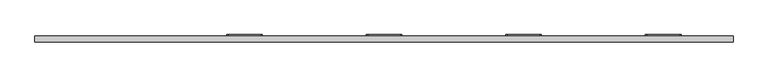
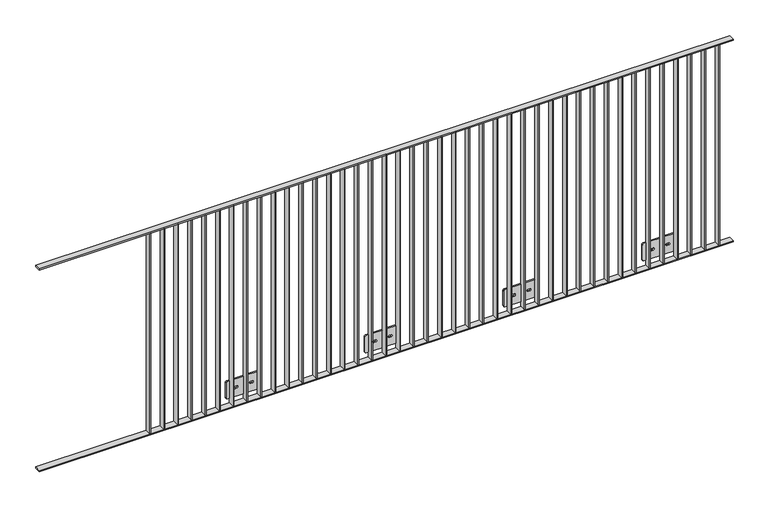
"""IFC4 building model written with IfcOpenShell, lengths in millimetres: railing geometry."""

from ifc_helpers import new_model, si_unit, frame, origin, place, context, project, spatial, polyline, circle_curve, outline, extrude, source, transform, mapped, element, save
from ifc_brep_helpers import plane_surface, cylinder_surface, revolved_surface, advanced_brep


def railing_8d76347a(model_context):
    return source(origin(), model_context, "Body", "SolidModel", [
        extrude(outline(polyline([(1210.4711935, -1129.1783245), (1210.4711935, -1089.1783245), (5710.4711935, -1089.1783245), (5710.4711935, -1129.1783245), (1210.4711935, -1129.1783245)])), frame((0.0, 0.0, 1192.0), z_axis=(0.0, 0.0, 1.0), x_axis=(1.0, 0.0, 0.0)), (0.0, 0.0, 1.0), 8.0),
        extrude(outline(polyline([(1210.4711935, -1129.1783245), (1210.4711935, -1089.1783245), (5710.4711935, -1089.1783245), (5710.4711935, -1129.1783245), (1210.4711935, -1129.1783245)])), frame((0.0, 0.0, -190.0), z_axis=(0.0, 0.0, 1.0), x_axis=(1.0, 0.0, 0.0)), (0.0, 0.0, 1.0), 8.0),
        extrude(outline(polyline([(5617.4711935, -1089.1783245), (5623.4711935, -1089.1783245), (5623.4711935, -1129.1783245), (5617.4711935, -1129.1783245), (5617.4711935, -1089.1783245)])), frame((0.0, 0.0, -182.0), z_axis=(0.0, 0.0, 1.0), x_axis=(1.0, 0.0, 0.0)), (0.0, 0.0, 1.0), 1374.0),
        extrude(outline(polyline([(5527.4711935, -1089.1783245), (5533.4711935, -1089.1783245), (5533.4711935, -1129.1783245), (5527.4711935, -1129.1783245), (5527.4711935, -1089.1783245)])), frame((0.0, 0.0, -182.0), z_axis=(0.0, 0.0, 1.0), x_axis=(1.0, 0.0, 0.0)), (0.0, 0.0, 1.0), 1374.0),
        extrude(outline(polyline([(5437.4711935, -1089.1783245), (5443.4711935, -1089.1783245), (5443.4711935, -1129.1783245), (5437.4711935, -1129.1783245), (5437.4711935, -1089.1783245)])), frame((0.0, 0.0, -182.0), z_axis=(0.0, 0.0, 1.0), x_axis=(1.0, 0.0, 0.0)), (0.0, 0.0, 1.0), 1374.0),
        extrude(outline(polyline([(5347.4711935, -1089.1783245), (5353.4711935, -1089.1783245), (5353.4711935, -1129.1783245), (5347.4711935, -1129.1783245), (5347.4711935, -1089.1783245)])), frame((0.0, 0.0, -182.0), z_axis=(0.0, 0.0, 1.0), x_axis=(1.0, 0.0, 0.0)), (0.0, 0.0, 1.0), 1374.0),
        advanced_brep(
        [(5257.4711935, -1129.1783245, 1192.0), (5257.4711935, -1129.1783245, -182.0), (5263.4711935, -1129.1783245, -182.0), (5263.4711935, -1129.1783245, 1192.0), (5257.4711935, -1089.1783245, 1192.0), (5263.4711935, -1089.1783245, 1192.0), (5263.4711935, -1089.1783245, -30.0), (5257.4711935, -1089.1783245, -30.0), (5263.4711935, -1089.1783245, -182.0), (5257.4711935, -1089.1783245, -182.0), (5257.4711935, -1089.1783245, -150.0), (5263.4711935, -1089.1783245, -150.0), (5365.4711935, -1081.1783245, -150.0), (5155.4711935, -1081.1783245, -150.0), (5145.4711935, -1081.1783245, -140.0), (5145.4711935, -1081.1783245, -40.0), (5155.4711935, -1081.1783245, -30.0), (5365.4711935, -1081.1783245, -30.0), (5375.4711935, -1081.1783245, -40.0), (5375.4711935, -1081.1783245, -140.0), (5215.4711935, -1081.1783245, -97.0), (5215.4711935, -1081.1783245, -83.0), (5205.4711935, -1081.1783245, -83.0), (5205.4711935, -1081.1783245, -97.0), (5305.4711935, -1081.1783245, -97.0), (5315.4711935, -1081.1783245, -97.0), (5315.4711935, -1081.1783245, -83.0), (5305.4711935, -1081.1783245, -83.0), (5365.4711935, -1089.1783245, -150.0), (5375.4711935, -1089.1783245, -140.0), (5375.4711935, -1089.1783245, -40.0), (5365.4711935, -1089.1783245, -30.0), (5305.4711935, -1089.1783245, -97.0), (5305.4711935, -1089.1783245, -83.0), (5315.4711935, -1089.1783245, -83.0), (5315.4711935, -1089.1783245, -97.0), (5155.4711935, -1089.1783245, -30.0), (5145.4711935, -1089.1783245, -40.0), (5145.4711935, -1089.1783245, -140.0), (5155.4711935, -1089.1783245, -150.0), (5215.4711935, -1089.1783245, -97.0), (5205.4711935, -1089.1783245, -97.0), (5205.4711935, -1089.1783245, -83.0), (5215.4711935, -1089.1783245, -83.0)],
        [
            (0, 1),
            (1, 2),
            (2, 3),
            (3, 0),
            (4, 5),
            (5, 6),
            (6, 7),
            (7, 4),
            (8, 9),
            (9, 10),
            (10, 11),
            (11, 8),
            (3, 5),
            (4, 0),
            (7, 10),
            (9, 1),
            (2, 8),
            (11, 6),
            (12, 13),
            (13, 14, circle_curve(frame((5155.4711935, -1081.1783245, -140.0), z_axis=(0.0, 1.0, 0.0), x_axis=(-1.0, 0.0, 0.0)), 10.0)),
            (14, 15),
            (15, 16, circle_curve(frame((5155.4711935, -1081.1783245, -40.0), z_axis=(0.0, 1.0, 0.0), x_axis=(-1.0, 0.0, 0.0)), 10.0)),
            (16, 17),
            (17, 18, circle_curve(frame((5365.4711935, -1081.1783245, -40.0), z_axis=(0.0, 1.0, 0.0), x_axis=(-1.0, 0.0, 0.0)), 10.0)),
            (18, 19),
            (19, 12, circle_curve(frame((5365.4711935, -1081.1783245, -140.0), z_axis=(0.0, 1.0, 0.0), x_axis=(-1.0, 0.0, 0.0)), 10.0)),
            (20, 21, circle_curve(frame((5215.4711935, -1081.1783245, -90.0), z_axis=(0.0, -1.0, 0.0), x_axis=(-1.0, 0.0, 0.0)), 7.0)),
            (21, 22),
            (22, 23, circle_curve(frame((5205.4711935, -1081.1783245, -90.0), z_axis=(0.0, -1.0, 0.0), x_axis=(-1.0, 0.0, 0.0)), 7.0)),
            (23, 20),
            (24, 25),
            (25, 26, circle_curve(frame((5315.4711935, -1081.1783245, -90.0), z_axis=(0.0, -1.0, 0.0), x_axis=(-1.0, 0.0, 0.0)), 7.0)),
            (26, 27),
            (27, 24, circle_curve(frame((5305.4711935, -1081.1783245, -90.0), z_axis=(0.0, -1.0, 0.0), x_axis=(-1.0, 0.0, 0.0)), 7.0)),
            (28, 29, circle_curve(frame((5365.4711935, -1089.1783245, -140.0), z_axis=(0.0, -1.0, 0.0), x_axis=(-1.0, 0.0, 0.0)), 10.0)),
            (29, 30),
            (30, 31, circle_curve(frame((5365.4711935, -1089.1783245, -40.0), z_axis=(0.0, -1.0, 0.0), x_axis=(-1.0, 0.0, 0.0)), 10.0)),
            (31, 6),
            (11, 28),
            (32, 33, circle_curve(frame((5305.4711935, -1089.1783245, -90.0), z_axis=(0.0, 1.0, 0.0), x_axis=(-1.0, 0.0, 0.0)), 7.0)),
            (33, 34),
            (34, 35, circle_curve(frame((5315.4711935, -1089.1783245, -90.0), z_axis=(0.0, 1.0, 0.0), x_axis=(-1.0, 0.0, 0.0)), 7.0)),
            (35, 32),
            (36, 37, circle_curve(frame((5155.4711935, -1089.1783245, -40.0), z_axis=(0.0, -1.0, 0.0), x_axis=(-1.0, 0.0, 0.0)), 10.0)),
            (37, 38),
            (38, 39, circle_curve(frame((5155.4711935, -1089.1783245, -140.0), z_axis=(0.0, -1.0, 0.0), x_axis=(-1.0, 0.0, 0.0)), 10.0)),
            (39, 10),
            (7, 36),
            (40, 41),
            (41, 42, circle_curve(frame((5205.4711935, -1089.1783245, -90.0), z_axis=(0.0, 1.0, 0.0), x_axis=(-1.0, 0.0, 0.0)), 7.0)),
            (42, 43),
            (43, 40, circle_curve(frame((5215.4711935, -1089.1783245, -90.0), z_axis=(0.0, 1.0, 0.0), x_axis=(-1.0, 0.0, 0.0)), 7.0)),
            (12, 28),
            (39, 13),
            (38, 14),
            (37, 15),
            (36, 16),
            (31, 17),
            (30, 18),
            (29, 19),
            (20, 40),
            (43, 21),
            (42, 22),
            (41, 23),
            (24, 32),
            (35, 25),
            (34, 26),
            (33, 27),
        ],
        [
            plane_surface(frame((5257.4711935, -1129.1783245, 1192.0), z_axis=(0.0, -1.0, 0.0), x_axis=(-1.0, 0.0, 0.0))),
            plane_surface(frame((5257.4711935, -1089.1783245, 1192.0), z_axis=(0.0, 1.0, 0.0), x_axis=(1.0, 0.0, 0.0))),
            plane_surface(frame((5257.4711935, -1089.1783245, 1192.0), z_axis=(0.0, 0.0, 1.0), x_axis=(0.0, -1.0, 0.0))),
            plane_surface(frame((5257.4711935, -1089.1783245, -182.0), z_axis=(-1.0, 0.0, 0.0), x_axis=(0.0, -1.0, 0.0))),
            plane_surface(frame((5263.4711935, -1089.1783245, 1192.0), z_axis=(1.0, 0.0, 0.0), x_axis=(0.0, -1.0, 0.0))),
            plane_surface(frame((5170.4711935, -1081.1783245, -150.0), z_axis=(0.0, 1.0, 0.0), x_axis=(-1.0, 0.0, 0.0))),
            plane_surface(frame((5170.4711935, -1089.1783245, -150.0), z_axis=(0.0, -1.0, 0.0), x_axis=(1.0, 0.0, 0.0))),
            plane_surface(frame((5365.4711935, -1081.1783245, -150.0), z_axis=(0.0, 0.0, -1.0), x_axis=(0.0, -1.0, 0.0))),
            cylinder_surface(frame((5155.4711935, -1089.1783245, -140.0), z_axis=(0.0, 1.0, 0.0), x_axis=(-1.0, 0.0, 0.0)), 10.0),
            plane_surface(frame((5145.4711935, -1081.1783245, -140.0), z_axis=(-1.0, 0.0, 0.0), x_axis=(0.0, -1.0, 0.0))),
            cylinder_surface(frame((5155.4711935, -1089.1783245, -40.0), z_axis=(0.0, 1.0, 0.0), x_axis=(-1.0, 0.0, 0.0)), 10.0),
            plane_surface(frame((5155.4711935, -1081.1783245, -30.0), z_axis=(0.0, 0.0, 1.0), x_axis=(0.0, -1.0, 0.0))),
            cylinder_surface(frame((5365.4711935, -1089.1783245, -40.0), z_axis=(0.0, 1.0, 0.0), x_axis=(-1.0, 0.0, 0.0)), 10.0),
            plane_surface(frame((5375.4711935, -1081.1783245, -40.0), z_axis=(1.0, 0.0, 0.0), x_axis=(0.0, -1.0, 0.0))),
            cylinder_surface(frame((5365.4711935, -1089.1783245, -140.0), z_axis=(0.0, 1.0, 0.0), x_axis=(-1.0, 0.0, 0.0)), 10.0),
            revolved_surface(polyline([(5208.4711935, -1089.1783245, -90.0), (5208.4711935, -1081.1783245, -90.0)]), (5215.4711935, -1109.1783245, -90.0), (0.0, -1.0, 0.0)),
            plane_surface(frame((5215.4711935, -1081.1783245, -83.0), z_axis=(0.0, 0.0, -1.0), x_axis=(0.0, -1.0, 0.0))),
            revolved_surface(polyline([(5198.4711935, -1089.1783245, -90.0), (5198.4711935, -1081.1783245, -90.0)]), (5205.4711935, -1109.1783245, -90.0), (0.0, -1.0, 0.0)),
            plane_surface(frame((5205.4711935, -1081.1783245, -97.0), z_axis=(0.0, 0.0, 1.0), x_axis=(0.0, -1.0, 0.0))),
            plane_surface(frame((5305.4711935, -1081.1783245, -97.0), z_axis=(0.0, 0.0, 1.0), x_axis=(0.0, -1.0, 0.0))),
            revolved_surface(polyline([(5308.4711935, -1089.1783245, -90.0), (5308.4711935, -1081.1783245, -90.0)]), (5315.4711935, -1109.1783245, -90.0), (0.0, -1.0, 0.0)),
            plane_surface(frame((5315.4711935, -1081.1783245, -83.0), z_axis=(0.0, 0.0, -1.0), x_axis=(0.0, -1.0, 0.0))),
            revolved_surface(polyline([(5298.4711935, -1089.1783245, -90.0), (5298.4711935, -1081.1783245, -90.0)]), (5305.4711935, -1109.1783245, -90.0), (0.0, -1.0, 0.0)),
            plane_surface(frame((5263.4711935, -1089.1783245, -182.0), z_axis=(0.0, 0.0, -1.0), x_axis=(0.0, -1.0, 0.0))),
        ],
        [
            (0, [[1, 2, 3, 4]]),
            (1, [[5, 6, 7, 8]]),
            (1, [[9, 10, 11, 12]]),
            (2, [[-4, 13, -5, 14]]),
            (3, [[-1, -14, -8, 15, -10, 16]]),
            (4, [[-3, 17, -12, 18, -6, -13]]),
            (5, [[19, 20, 21, 22, 23, 24, 25, 26], [27, 28, 29, 30], [31, 32, 33, 34]]),
            (6, [[35, 36, 37, 38, -18, 39], [40, 41, 42, 43]]),
            (6, [[44, 45, 46, 47, -15, 48], [49, 50, 51, 52]]),
            (7, [[-19, 53, -39, -11, -47, 54]]),
            (8, [[-20, -54, -46, 55]]),
            (9, [[-21, -55, -45, 56]]),
            (10, [[-22, -56, -44, 57]]),
            (11, [[-23, -57, -48, -7, -38, 58]]),
            (12, [[-24, -58, -37, 59]]),
            (13, [[-25, -59, -36, 60]]),
            (14, [[-26, -60, -35, -53]]),
            (15, [[-27, 61, -52, 62]]),
            (16, [[-28, -62, -51, 63]]),
            (17, [[-29, -63, -50, 64]]),
            (18, [[-30, -64, -49, -61]]),
            (19, [[-31, 65, -43, 66]]),
            (20, [[-32, -66, -42, 67]]),
            (21, [[-33, -67, -41, 68]]),
            (22, [[-34, -68, -40, -65]]),
            (23, [[-2, -16, -9, -17]]),
        ],
    ),
        extrude(outline(polyline([(5167.4711935, -1089.1783245), (5173.4711935, -1089.1783245), (5173.4711935, -1129.1783245), (5167.4711935, -1129.1783245), (5167.4711935, -1089.1783245)])), frame((0.0, 0.0, -182.0), z_axis=(0.0, 0.0, 1.0), x_axis=(1.0, 0.0, 0.0)), (0.0, 0.0, 1.0), 1374.0),
        extrude(outline(polyline([(5077.4711935, -1089.1783245), (5083.4711935, -1089.1783245), (5083.4711935, -1129.1783245), (5077.4711935, -1129.1783245), (5077.4711935, -1089.1783245)])), frame((0.0, 0.0, -182.0), z_axis=(0.0, 0.0, 1.0), x_axis=(1.0, 0.0, 0.0)), (0.0, 0.0, 1.0), 1374.0),
        extrude(outline(polyline([(4987.4711935, -1089.1783245), (4993.4711935, -1089.1783245), (4993.4711935, -1129.1783245), (4987.4711935, -1129.1783245), (4987.4711935, -1089.1783245)])), frame((0.0, 0.0, -182.0), z_axis=(0.0, 0.0, 1.0), x_axis=(1.0, 0.0, 0.0)), (0.0, 0.0, 1.0), 1374.0),
        extrude(outline(polyline([(4897.4711935, -1089.1783245), (4903.4711935, -1089.1783245), (4903.4711935, -1129.1783245), (4897.4711935, -1129.1783245), (4897.4711935, -1089.1783245)])), frame((0.0, 0.0, -182.0), z_axis=(0.0, 0.0, 1.0), x_axis=(1.0, 0.0, 0.0)), (0.0, 0.0, 1.0), 1374.0),
        extrude(outline(polyline([(4807.4711935, -1089.1783245), (4813.4711935, -1089.1783245), (4813.4711935, -1129.1783245), (4807.4711935, -1129.1783245), (4807.4711935, -1089.1783245)])), frame((0.0, 0.0, -182.0), z_axis=(0.0, 0.0, 1.0), x_axis=(1.0, 0.0, 0.0)), (0.0, 0.0, 1.0), 1374.0),
        extrude(outline(polyline([(4717.4711935, -1089.1783245), (4723.4711935, -1089.1783245), (4723.4711935, -1129.1783245), (4717.4711935, -1129.1783245), (4717.4711935, -1089.1783245)])), frame((0.0, 0.0, -182.0), z_axis=(0.0, 0.0, 1.0), x_axis=(1.0, 0.0, 0.0)), (0.0, 0.0, 1.0), 1374.0),
        extrude(outline(polyline([(4627.4711935, -1089.1783245), (4633.4711935, -1089.1783245), (4633.4711935, -1129.1783245), (4627.4711935, -1129.1783245), (4627.4711935, -1089.1783245)])), frame((0.0, 0.0, -182.0), z_axis=(0.0, 0.0, 1.0), x_axis=(1.0, 0.0, 0.0)), (0.0, 0.0, 1.0), 1374.0),
        extrude(outline(polyline([(4537.4711935, -1089.1783245), (4543.4711935, -1089.1783245), (4543.4711935, -1129.1783245), (4537.4711935, -1129.1783245), (4537.4711935, -1089.1783245)])), frame((0.0, 0.0, -182.0), z_axis=(0.0, 0.0, 1.0), x_axis=(1.0, 0.0, 0.0)), (0.0, 0.0, 1.0), 1374.0),
        extrude(outline(polyline([(4447.4711935, -1089.1783245), (4453.4711935, -1089.1783245), (4453.4711935, -1129.1783245), (4447.4711935, -1129.1783245), (4447.4711935, -1089.1783245)])), frame((0.0, 0.0, -182.0), z_axis=(0.0, 0.0, 1.0), x_axis=(1.0, 0.0, 0.0)), (0.0, 0.0, 1.0), 1374.0),
        advanced_brep(
        [(4357.4711935, -1129.1783245, 1192.0), (4357.4711935, -1129.1783245, -182.0), (4363.4711935, -1129.1783245, -182.0), (4363.4711935, -1129.1783245, 1192.0), (4357.4711935, -1089.1783245, 1192.0), (4363.4711935, -1089.1783245, 1192.0), (4363.4711935, -1089.1783245, -30.0), (4357.4711935, -1089.1783245, -30.0), (4363.4711935, -1089.1783245, -182.0), (4357.4711935, -1089.1783245, -182.0), (4357.4711935, -1089.1783245, -150.0), (4363.4711935, -1089.1783245, -150.0), (4465.4711935, -1081.1783245, -150.0), (4255.4711935, -1081.1783245, -150.0), (4245.4711935, -1081.1783245, -140.0), (4245.4711935, -1081.1783245, -40.0), (4255.4711935, -1081.1783245, -30.0), (4465.4711935, -1081.1783245, -30.0), (4475.4711935, -1081.1783245, -40.0), (4475.4711935, -1081.1783245, -140.0), (4315.4711935, -1081.1783245, -97.0), (4315.4711935, -1081.1783245, -83.0), (4305.4711935, -1081.1783245, -83.0), (4305.4711935, -1081.1783245, -97.0), (4405.4711935, -1081.1783245, -97.0), (4415.4711935, -1081.1783245, -97.0), (4415.4711935, -1081.1783245, -83.0), (4405.4711935, -1081.1783245, -83.0), (4465.4711935, -1089.1783245, -150.0), (4475.4711935, -1089.1783245, -140.0), (4475.4711935, -1089.1783245, -40.0), (4465.4711935, -1089.1783245, -30.0), (4405.4711935, -1089.1783245, -97.0), (4405.4711935, -1089.1783245, -83.0), (4415.4711935, -1089.1783245, -83.0), (4415.4711935, -1089.1783245, -97.0), (4255.4711935, -1089.1783245, -30.0), (4245.4711935, -1089.1783245, -40.0), (4245.4711935, -1089.1783245, -140.0), (4255.4711935, -1089.1783245, -150.0), (4315.4711935, -1089.1783245, -97.0), (4305.4711935, -1089.1783245, -97.0), (4305.4711935, -1089.1783245, -83.0), (4315.4711935, -1089.1783245, -83.0)],
        [
            (0, 1),
            (1, 2),
            (2, 3),
            (3, 0),
            (4, 5),
            (5, 6),
            (6, 7),
            (7, 4),
            (8, 9),
            (9, 10),
            (10, 11),
            (11, 8),
            (3, 5),
            (4, 0),
            (7, 10),
            (9, 1),
            (2, 8),
            (11, 6),
            (12, 13),
            (13, 14, circle_curve(frame((4255.4711935, -1081.1783245, -140.0), z_axis=(0.0, 1.0, 0.0), x_axis=(-1.0, 0.0, 0.0)), 10.0)),
            (14, 15),
            (15, 16, circle_curve(frame((4255.4711935, -1081.1783245, -40.0), z_axis=(0.0, 1.0, 0.0), x_axis=(-1.0, 0.0, 0.0)), 10.0)),
            (16, 17),
            (17, 18, circle_curve(frame((4465.4711935, -1081.1783245, -40.0), z_axis=(0.0, 1.0, 0.0), x_axis=(-1.0, 0.0, 0.0)), 10.0)),
            (18, 19),
            (19, 12, circle_curve(frame((4465.4711935, -1081.1783245, -140.0), z_axis=(0.0, 1.0, 0.0), x_axis=(-1.0, 0.0, 0.0)), 10.0)),
            (20, 21, circle_curve(frame((4315.4711935, -1081.1783245, -90.0), z_axis=(0.0, -1.0, 0.0), x_axis=(-1.0, 0.0, 0.0)), 7.0)),
            (21, 22),
            (22, 23, circle_curve(frame((4305.4711935, -1081.1783245, -90.0), z_axis=(0.0, -1.0, 0.0), x_axis=(-1.0, 0.0, 0.0)), 7.0)),
            (23, 20),
            (24, 25),
            (25, 26, circle_curve(frame((4415.4711935, -1081.1783245, -90.0), z_axis=(0.0, -1.0, 0.0), x_axis=(-1.0, 0.0, 0.0)), 7.0)),
            (26, 27),
            (27, 24, circle_curve(frame((4405.4711935, -1081.1783245, -90.0), z_axis=(0.0, -1.0, 0.0), x_axis=(-1.0, 0.0, 0.0)), 7.0)),
            (28, 29, circle_curve(frame((4465.4711935, -1089.1783245, -140.0), z_axis=(0.0, -1.0, 0.0), x_axis=(-1.0, 0.0, 0.0)), 10.0)),
            (29, 30),
            (30, 31, circle_curve(frame((4465.4711935, -1089.1783245, -40.0), z_axis=(0.0, -1.0, 0.0), x_axis=(-1.0, 0.0, 0.0)), 10.0)),
            (31, 6),
            (11, 28),
            (32, 33, circle_curve(frame((4405.4711935, -1089.1783245, -90.0), z_axis=(0.0, 1.0, 0.0), x_axis=(-1.0, 0.0, 0.0)), 7.0)),
            (33, 34),
            (34, 35, circle_curve(frame((4415.4711935, -1089.1783245, -90.0), z_axis=(0.0, 1.0, 0.0), x_axis=(-1.0, 0.0, 0.0)), 7.0)),
            (35, 32),
            (36, 37, circle_curve(frame((4255.4711935, -1089.1783245, -40.0), z_axis=(0.0, -1.0, 0.0), x_axis=(-1.0, 0.0, 0.0)), 10.0)),
            (37, 38),
            (38, 39, circle_curve(frame((4255.4711935, -1089.1783245, -140.0), z_axis=(0.0, -1.0, 0.0), x_axis=(-1.0, 0.0, 0.0)), 10.0)),
            (39, 10),
            (7, 36),
            (40, 41),
            (41, 42, circle_curve(frame((4305.4711935, -1089.1783245, -90.0), z_axis=(0.0, 1.0, 0.0), x_axis=(-1.0, 0.0, 0.0)), 7.0)),
            (42, 43),
            (43, 40, circle_curve(frame((4315.4711935, -1089.1783245, -90.0), z_axis=(0.0, 1.0, 0.0), x_axis=(-1.0, 0.0, 0.0)), 7.0)),
            (12, 28),
            (39, 13),
            (38, 14),
            (37, 15),
            (36, 16),
            (31, 17),
            (30, 18),
            (29, 19),
            (20, 40),
            (43, 21),
            (42, 22),
            (41, 23),
            (24, 32),
            (35, 25),
            (34, 26),
            (33, 27),
        ],
        [
            plane_surface(frame((4357.4711935, -1129.1783245, 1192.0), z_axis=(0.0, -1.0, 0.0), x_axis=(-1.0, 0.0, 0.0))),
            plane_surface(frame((4357.4711935, -1089.1783245, 1192.0), z_axis=(0.0, 1.0, 0.0), x_axis=(1.0, 0.0, 0.0))),
            plane_surface(frame((4357.4711935, -1089.1783245, 1192.0), z_axis=(0.0, 0.0, 1.0), x_axis=(0.0, -1.0, 0.0))),
            plane_surface(frame((4357.4711935, -1089.1783245, -182.0), z_axis=(-1.0, 0.0, 0.0), x_axis=(0.0, -1.0, 0.0))),
            plane_surface(frame((4363.4711935, -1089.1783245, 1192.0), z_axis=(1.0, 0.0, 0.0), x_axis=(0.0, -1.0, 0.0))),
            plane_surface(frame((4270.4711935, -1081.1783245, -150.0), z_axis=(0.0, 1.0, 0.0), x_axis=(-1.0, 0.0, 0.0))),
            plane_surface(frame((4270.4711935, -1089.1783245, -150.0), z_axis=(0.0, -1.0, 0.0), x_axis=(1.0, 0.0, 0.0))),
            plane_surface(frame((4465.4711935, -1081.1783245, -150.0), z_axis=(0.0, 0.0, -1.0), x_axis=(0.0, -1.0, 0.0))),
            cylinder_surface(frame((4255.4711935, -1089.1783245, -140.0), z_axis=(0.0, 1.0, 0.0), x_axis=(-1.0, 0.0, 0.0)), 10.0),
            plane_surface(frame((4245.4711935, -1081.1783245, -140.0), z_axis=(-1.0, 0.0, 0.0), x_axis=(0.0, -1.0, 0.0))),
            cylinder_surface(frame((4255.4711935, -1089.1783245, -40.0), z_axis=(0.0, 1.0, 0.0), x_axis=(-1.0, 0.0, 0.0)), 10.0),
            plane_surface(frame((4255.4711935, -1081.1783245, -30.0), z_axis=(0.0, 0.0, 1.0), x_axis=(0.0, -1.0, 0.0))),
            cylinder_surface(frame((4465.4711935, -1089.1783245, -40.0), z_axis=(0.0, 1.0, 0.0), x_axis=(-1.0, 0.0, 0.0)), 10.0),
            plane_surface(frame((4475.4711935, -1081.1783245, -40.0), z_axis=(1.0, 0.0, 0.0), x_axis=(0.0, -1.0, 0.0))),
            cylinder_surface(frame((4465.4711935, -1089.1783245, -140.0), z_axis=(0.0, 1.0, 0.0), x_axis=(-1.0, 0.0, 0.0)), 10.0),
            revolved_surface(polyline([(4308.4711935, -1089.1783245, -90.0), (4308.4711935, -1081.1783245, -90.0)]), (4315.4711935, -1109.1783245, -90.0), (0.0, -1.0, 0.0)),
            plane_surface(frame((4315.4711935, -1081.1783245, -83.0), z_axis=(0.0, 0.0, -1.0), x_axis=(0.0, -1.0, 0.0))),
            revolved_surface(polyline([(4298.4711935, -1089.1783245, -90.0), (4298.4711935, -1081.1783245, -90.0)]), (4305.4711935, -1109.1783245, -90.0), (0.0, -1.0, 0.0)),
            plane_surface(frame((4305.4711935, -1081.1783245, -97.0), z_axis=(0.0, 0.0, 1.0), x_axis=(0.0, -1.0, 0.0))),
            plane_surface(frame((4405.4711935, -1081.1783245, -97.0), z_axis=(0.0, 0.0, 1.0), x_axis=(0.0, -1.0, 0.0))),
            revolved_surface(polyline([(4408.4711935, -1089.1783245, -90.0), (4408.4711935, -1081.1783245, -90.0)]), (4415.4711935, -1109.1783245, -90.0), (0.0, -1.0, 0.0)),
            plane_surface(frame((4415.4711935, -1081.1783245, -83.0), z_axis=(0.0, 0.0, -1.0), x_axis=(0.0, -1.0, 0.0))),
            revolved_surface(polyline([(4398.4711935, -1089.1783245, -90.0), (4398.4711935, -1081.1783245, -90.0)]), (4405.4711935, -1109.1783245, -90.0), (0.0, -1.0, 0.0)),
            plane_surface(frame((4363.4711935, -1089.1783245, -182.0), z_axis=(0.0, 0.0, -1.0), x_axis=(0.0, -1.0, 0.0))),
        ],
        [
            (0, [[1, 2, 3, 4]]),
            (1, [[5, 6, 7, 8]]),
            (1, [[9, 10, 11, 12]]),
            (2, [[-4, 13, -5, 14]]),
            (3, [[-1, -14, -8, 15, -10, 16]]),
            (4, [[-3, 17, -12, 18, -6, -13]]),
            (5, [[19, 20, 21, 22, 23, 24, 25, 26], [27, 28, 29, 30], [31, 32, 33, 34]]),
            (6, [[35, 36, 37, 38, -18, 39], [40, 41, 42, 43]]),
            (6, [[44, 45, 46, 47, -15, 48], [49, 50, 51, 52]]),
            (7, [[-19, 53, -39, -11, -47, 54]]),
            (8, [[-20, -54, -46, 55]]),
            (9, [[-21, -55, -45, 56]]),
            (10, [[-22, -56, -44, 57]]),
            (11, [[-23, -57, -48, -7, -38, 58]]),
            (12, [[-24, -58, -37, 59]]),
            (13, [[-25, -59, -36, 60]]),
            (14, [[-26, -60, -35, -53]]),
            (15, [[-27, 61, -52, 62]]),
            (16, [[-28, -62, -51, 63]]),
            (17, [[-29, -63, -50, 64]]),
            (18, [[-30, -64, -49, -61]]),
            (19, [[-31, 65, -43, 66]]),
            (20, [[-32, -66, -42, 67]]),
            (21, [[-33, -67, -41, 68]]),
            (22, [[-34, -68, -40, -65]]),
            (23, [[-2, -16, -9, -17]]),
        ],
    ),
        extrude(outline(polyline([(4267.4711935, -1089.1783245), (4273.4711935, -1089.1783245), (4273.4711935, -1129.1783245), (4267.4711935, -1129.1783245), (4267.4711935, -1089.1783245)])), frame((0.0, 0.0, -182.0), z_axis=(0.0, 0.0, 1.0), x_axis=(1.0, 0.0, 0.0)), (0.0, 0.0, 1.0), 1374.0),
        extrude(outline(polyline([(4177.4711935, -1089.1783245), (4183.4711935, -1089.1783245), (4183.4711935, -1129.1783245), (4177.4711935, -1129.1783245), (4177.4711935, -1089.1783245)])), frame((0.0, 0.0, -182.0), z_axis=(0.0, 0.0, 1.0), x_axis=(1.0, 0.0, 0.0)), (0.0, 0.0, 1.0), 1374.0),
        extrude(outline(polyline([(4087.4711935, -1089.1783245), (4093.4711935, -1089.1783245), (4093.4711935, -1129.1783245), (4087.4711935, -1129.1783245), (4087.4711935, -1089.1783245)])), frame((0.0, 0.0, -182.0), z_axis=(0.0, 0.0, 1.0), x_axis=(1.0, 0.0, 0.0)), (0.0, 0.0, 1.0), 1374.0),
        extrude(outline(polyline([(3997.4711935, -1089.1783245), (4003.4711935, -1089.1783245), (4003.4711935, -1129.1783245), (3997.4711935, -1129.1783245), (3997.4711935, -1089.1783245)])), frame((0.0, 0.0, -182.0), z_axis=(0.0, 0.0, 1.0), x_axis=(1.0, 0.0, 0.0)), (0.0, 0.0, 1.0), 1374.0),
        extrude(outline(polyline([(3907.4711935, -1089.1783245), (3913.4711935, -1089.1783245), (3913.4711935, -1129.1783245), (3907.4711935, -1129.1783245), (3907.4711935, -1089.1783245)])), frame((0.0, 0.0, -182.0), z_axis=(0.0, 0.0, 1.0), x_axis=(1.0, 0.0, 0.0)), (0.0, 0.0, 1.0), 1374.0),
        extrude(outline(polyline([(3817.4711935, -1089.1783245), (3823.4711935, -1089.1783245), (3823.4711935, -1129.1783245), (3817.4711935, -1129.1783245), (3817.4711935, -1089.1783245)])), frame((0.0, 0.0, -182.0), z_axis=(0.0, 0.0, 1.0), x_axis=(1.0, 0.0, 0.0)), (0.0, 0.0, 1.0), 1374.0),
        extrude(outline(polyline([(3727.4711935, -1089.1783245), (3733.4711935, -1089.1783245), (3733.4711935, -1129.1783245), (3727.4711935, -1129.1783245), (3727.4711935, -1089.1783245)])), frame((0.0, 0.0, -182.0), z_axis=(0.0, 0.0, 1.0), x_axis=(1.0, 0.0, 0.0)), (0.0, 0.0, 1.0), 1374.0),
        extrude(outline(polyline([(3637.4711935, -1089.1783245), (3643.4711935, -1089.1783245), (3643.4711935, -1129.1783245), (3637.4711935, -1129.1783245), (3637.4711935, -1089.1783245)])), frame((0.0, 0.0, -182.0), z_axis=(0.0, 0.0, 1.0), x_axis=(1.0, 0.0, 0.0)), (0.0, 0.0, 1.0), 1374.0),
        extrude(outline(polyline([(3547.4711935, -1089.1783245), (3553.4711935, -1089.1783245), (3553.4711935, -1129.1783245), (3547.4711935, -1129.1783245), (3547.4711935, -1089.1783245)])), frame((0.0, 0.0, -182.0), z_axis=(0.0, 0.0, 1.0), x_axis=(1.0, 0.0, 0.0)), (0.0, 0.0, 1.0), 1374.0),
        advanced_brep(
        [(3457.4711935, -1129.1783245, 1192.0), (3457.4711935, -1129.1783245, -182.0), (3463.4711935, -1129.1783245, -182.0), (3463.4711935, -1129.1783245, 1192.0), (3457.4711935, -1089.1783245, 1192.0), (3463.4711935, -1089.1783245, 1192.0), (3463.4711935, -1089.1783245, -30.0), (3457.4711935, -1089.1783245, -30.0), (3463.4711935, -1089.1783245, -182.0), (3457.4711935, -1089.1783245, -182.0), (3457.4711935, -1089.1783245, -150.0), (3463.4711935, -1089.1783245, -150.0), (3565.4711935, -1081.1783245, -150.0), (3355.4711935, -1081.1783245, -150.0), (3345.4711935, -1081.1783245, -140.0), (3345.4711935, -1081.1783245, -40.0), (3355.4711935, -1081.1783245, -30.0), (3565.4711935, -1081.1783245, -30.0), (3575.4711935, -1081.1783245, -40.0), (3575.4711935, -1081.1783245, -140.0), (3415.4711935, -1081.1783245, -97.0), (3415.4711935, -1081.1783245, -83.0), (3405.4711935, -1081.1783245, -83.0), (3405.4711935, -1081.1783245, -97.0), (3505.4711935, -1081.1783245, -97.0), (3515.4711935, -1081.1783245, -97.0), (3515.4711935, -1081.1783245, -83.0), (3505.4711935, -1081.1783245, -83.0), (3565.4711935, -1089.1783245, -150.0), (3575.4711935, -1089.1783245, -140.0), (3575.4711935, -1089.1783245, -40.0), (3565.4711935, -1089.1783245, -30.0), (3505.4711935, -1089.1783245, -97.0), (3505.4711935, -1089.1783245, -83.0), (3515.4711935, -1089.1783245, -83.0), (3515.4711935, -1089.1783245, -97.0), (3355.4711935, -1089.1783245, -30.0), (3345.4711935, -1089.1783245, -40.0), (3345.4711935, -1089.1783245, -140.0), (3355.4711935, -1089.1783245, -150.0), (3415.4711935, -1089.1783245, -97.0), (3405.4711935, -1089.1783245, -97.0), (3405.4711935, -1089.1783245, -83.0), (3415.4711935, -1089.1783245, -83.0)],
        [
            (0, 1),
            (1, 2),
            (2, 3),
            (3, 0),
            (4, 5),
            (5, 6),
            (6, 7),
            (7, 4),
            (8, 9),
            (9, 10),
            (10, 11),
            (11, 8),
            (3, 5),
            (4, 0),
            (7, 10),
            (9, 1),
            (2, 8),
            (11, 6),
            (12, 13),
            (13, 14, circle_curve(frame((3355.4711935, -1081.1783245, -140.0), z_axis=(0.0, 1.0, 0.0), x_axis=(-1.0, 0.0, 0.0)), 10.0)),
            (14, 15),
            (15, 16, circle_curve(frame((3355.4711935, -1081.1783245, -40.0), z_axis=(0.0, 1.0, 0.0), x_axis=(-1.0, 0.0, 0.0)), 10.0)),
            (16, 17),
            (17, 18, circle_curve(frame((3565.4711935, -1081.1783245, -40.0), z_axis=(0.0, 1.0, 0.0), x_axis=(-1.0, 0.0, 0.0)), 10.0)),
            (18, 19),
            (19, 12, circle_curve(frame((3565.4711935, -1081.1783245, -140.0), z_axis=(0.0, 1.0, 0.0), x_axis=(-1.0, 0.0, 0.0)), 10.0)),
            (20, 21, circle_curve(frame((3415.4711935, -1081.1783245, -90.0), z_axis=(0.0, -1.0, 0.0), x_axis=(-1.0, 0.0, 0.0)), 7.0)),
            (21, 22),
            (22, 23, circle_curve(frame((3405.4711935, -1081.1783245, -90.0), z_axis=(0.0, -1.0, 0.0), x_axis=(-1.0, 0.0, 0.0)), 7.0)),
            (23, 20),
            (24, 25),
            (25, 26, circle_curve(frame((3515.4711935, -1081.1783245, -90.0), z_axis=(0.0, -1.0, 0.0), x_axis=(-1.0, 0.0, 0.0)), 7.0)),
            (26, 27),
            (27, 24, circle_curve(frame((3505.4711935, -1081.1783245, -90.0), z_axis=(0.0, -1.0, 0.0), x_axis=(-1.0, 0.0, 0.0)), 7.0)),
            (28, 29, circle_curve(frame((3565.4711935, -1089.1783245, -140.0), z_axis=(0.0, -1.0, 0.0), x_axis=(-1.0, 0.0, 0.0)), 10.0)),
            (29, 30),
            (30, 31, circle_curve(frame((3565.4711935, -1089.1783245, -40.0), z_axis=(0.0, -1.0, 0.0), x_axis=(-1.0, 0.0, 0.0)), 10.0)),
            (31, 6),
            (11, 28),
            (32, 33, circle_curve(frame((3505.4711935, -1089.1783245, -90.0), z_axis=(0.0, 1.0, 0.0), x_axis=(-1.0, 0.0, 0.0)), 7.0)),
            (33, 34),
            (34, 35, circle_curve(frame((3515.4711935, -1089.1783245, -90.0), z_axis=(0.0, 1.0, 0.0), x_axis=(-1.0, 0.0, 0.0)), 7.0)),
            (35, 32),
            (36, 37, circle_curve(frame((3355.4711935, -1089.1783245, -40.0), z_axis=(0.0, -1.0, 0.0), x_axis=(-1.0, 0.0, 0.0)), 10.0)),
            (37, 38),
            (38, 39, circle_curve(frame((3355.4711935, -1089.1783245, -140.0), z_axis=(0.0, -1.0, 0.0), x_axis=(-1.0, 0.0, 0.0)), 10.0)),
            (39, 10),
            (7, 36),
            (40, 41),
            (41, 42, circle_curve(frame((3405.4711935, -1089.1783245, -90.0), z_axis=(0.0, 1.0, 0.0), x_axis=(-1.0, 0.0, 0.0)), 7.0)),
            (42, 43),
            (43, 40, circle_curve(frame((3415.4711935, -1089.1783245, -90.0), z_axis=(0.0, 1.0, 0.0), x_axis=(-1.0, 0.0, 0.0)), 7.0)),
            (12, 28),
            (39, 13),
            (38, 14),
            (37, 15),
            (36, 16),
            (31, 17),
            (30, 18),
            (29, 19),
            (20, 40),
            (43, 21),
            (42, 22),
            (41, 23),
            (24, 32),
            (35, 25),
            (34, 26),
            (33, 27),
        ],
        [
            plane_surface(frame((3457.4711935, -1129.1783245, 1192.0), z_axis=(0.0, -1.0, 0.0), x_axis=(-1.0, 0.0, 0.0))),
            plane_surface(frame((3457.4711935, -1089.1783245, 1192.0), z_axis=(0.0, 1.0, 0.0), x_axis=(1.0, 0.0, 0.0))),
            plane_surface(frame((3457.4711935, -1089.1783245, 1192.0), z_axis=(0.0, 0.0, 1.0), x_axis=(0.0, -1.0, 0.0))),
            plane_surface(frame((3457.4711935, -1089.1783245, -182.0), z_axis=(-1.0, 0.0, 0.0), x_axis=(0.0, -1.0, 0.0))),
            plane_surface(frame((3463.4711935, -1089.1783245, 1192.0), z_axis=(1.0, 0.0, 0.0), x_axis=(0.0, -1.0, 0.0))),
            plane_surface(frame((3370.4711935, -1081.1783245, -150.0), z_axis=(0.0, 1.0, 0.0), x_axis=(-1.0, 0.0, 0.0))),
            plane_surface(frame((3370.4711935, -1089.1783245, -150.0), z_axis=(0.0, -1.0, 0.0), x_axis=(1.0, 0.0, 0.0))),
            plane_surface(frame((3565.4711935, -1081.1783245, -150.0), z_axis=(0.0, 0.0, -1.0), x_axis=(0.0, -1.0, 0.0))),
            cylinder_surface(frame((3355.4711935, -1089.1783245, -140.0), z_axis=(0.0, 1.0, 0.0), x_axis=(-1.0, 0.0, 0.0)), 10.0),
            plane_surface(frame((3345.4711935, -1081.1783245, -140.0), z_axis=(-1.0, 0.0, 0.0), x_axis=(0.0, -1.0, 0.0))),
            cylinder_surface(frame((3355.4711935, -1089.1783245, -40.0), z_axis=(0.0, 1.0, 0.0), x_axis=(-1.0, 0.0, 0.0)), 10.0),
            plane_surface(frame((3355.4711935, -1081.1783245, -30.0), z_axis=(0.0, 0.0, 1.0), x_axis=(0.0, -1.0, 0.0))),
            cylinder_surface(frame((3565.4711935, -1089.1783245, -40.0), z_axis=(0.0, 1.0, 0.0), x_axis=(-1.0, 0.0, 0.0)), 10.0),
            plane_surface(frame((3575.4711935, -1081.1783245, -40.0), z_axis=(1.0, 0.0, 0.0), x_axis=(0.0, -1.0, 0.0))),
            cylinder_surface(frame((3565.4711935, -1089.1783245, -140.0), z_axis=(0.0, 1.0, 0.0), x_axis=(-1.0, 0.0, 0.0)), 10.0),
            revolved_surface(polyline([(3408.4711935, -1089.1783245, -90.0), (3408.4711935, -1081.1783245, -90.0)]), (3415.4711935, -1109.1783245, -90.0), (0.0, -1.0, 0.0)),
            plane_surface(frame((3415.4711935, -1081.1783245, -83.0), z_axis=(0.0, 0.0, -1.0), x_axis=(0.0, -1.0, 0.0))),
            revolved_surface(polyline([(3398.4711935, -1089.1783245, -90.0), (3398.4711935, -1081.1783245, -90.0)]), (3405.4711935, -1109.1783245, -90.0), (0.0, -1.0, 0.0)),
            plane_surface(frame((3405.4711935, -1081.1783245, -97.0), z_axis=(0.0, 0.0, 1.0), x_axis=(0.0, -1.0, 0.0))),
            plane_surface(frame((3505.4711935, -1081.1783245, -97.0), z_axis=(0.0, 0.0, 1.0), x_axis=(0.0, -1.0, 0.0))),
            revolved_surface(polyline([(3508.4711935, -1089.1783245, -90.0), (3508.4711935, -1081.1783245, -90.0)]), (3515.4711935, -1109.1783245, -90.0), (0.0, -1.0, 0.0)),
            plane_surface(frame((3515.4711935, -1081.1783245, -83.0), z_axis=(0.0, 0.0, -1.0), x_axis=(0.0, -1.0, 0.0))),
            revolved_surface(polyline([(3498.4711935, -1089.1783245, -90.0), (3498.4711935, -1081.1783245, -90.0)]), (3505.4711935, -1109.1783245, -90.0), (0.0, -1.0, 0.0)),
            plane_surface(frame((3463.4711935, -1089.1783245, -182.0), z_axis=(0.0, 0.0, -1.0), x_axis=(0.0, -1.0, 0.0))),
        ],
        [
            (0, [[1, 2, 3, 4]]),
            (1, [[5, 6, 7, 8]]),
            (1, [[9, 10, 11, 12]]),
            (2, [[-4, 13, -5, 14]]),
            (3, [[-1, -14, -8, 15, -10, 16]]),
            (4, [[-3, 17, -12, 18, -6, -13]]),
            (5, [[19, 20, 21, 22, 23, 24, 25, 26], [27, 28, 29, 30], [31, 32, 33, 34]]),
            (6, [[35, 36, 37, 38, -18, 39], [40, 41, 42, 43]]),
            (6, [[44, 45, 46, 47, -15, 48], [49, 50, 51, 52]]),
            (7, [[-19, 53, -39, -11, -47, 54]]),
            (8, [[-20, -54, -46, 55]]),
            (9, [[-21, -55, -45, 56]]),
            (10, [[-22, -56, -44, 57]]),
            (11, [[-23, -57, -48, -7, -38, 58]]),
            (12, [[-24, -58, -37, 59]]),
            (13, [[-25, -59, -36, 60]]),
            (14, [[-26, -60, -35, -53]]),
            (15, [[-27, 61, -52, 62]]),
            (16, [[-28, -62, -51, 63]]),
            (17, [[-29, -63, -50, 64]]),
            (18, [[-30, -64, -49, -61]]),
            (19, [[-31, 65, -43, 66]]),
            (20, [[-32, -66, -42, 67]]),
            (21, [[-33, -67, -41, 68]]),
            (22, [[-34, -68, -40, -65]]),
            (23, [[-2, -16, -9, -17]]),
        ],
    ),
        extrude(outline(polyline([(3367.4711935, -1089.1783245), (3373.4711935, -1089.1783245), (3373.4711935, -1129.1783245), (3367.4711935, -1129.1783245), (3367.4711935, -1089.1783245)])), frame((0.0, 0.0, -182.0), z_axis=(0.0, 0.0, 1.0), x_axis=(1.0, 0.0, 0.0)), (0.0, 0.0, 1.0), 1374.0),
        extrude(outline(polyline([(3277.4711935, -1089.1783245), (3283.4711935, -1089.1783245), (3283.4711935, -1129.1783245), (3277.4711935, -1129.1783245), (3277.4711935, -1089.1783245)])), frame((0.0, 0.0, -182.0), z_axis=(0.0, 0.0, 1.0), x_axis=(1.0, 0.0, 0.0)), (0.0, 0.0, 1.0), 1374.0),
        extrude(outline(polyline([(3187.4711935, -1089.1783245), (3193.4711935, -1089.1783245), (3193.4711935, -1129.1783245), (3187.4711935, -1129.1783245), (3187.4711935, -1089.1783245)])), frame((0.0, 0.0, -182.0), z_axis=(0.0, 0.0, 1.0), x_axis=(1.0, 0.0, 0.0)), (0.0, 0.0, 1.0), 1374.0),
        extrude(outline(polyline([(3097.4711935, -1089.1783245), (3103.4711935, -1089.1783245), (3103.4711935, -1129.1783245), (3097.4711935, -1129.1783245), (3097.4711935, -1089.1783245)])), frame((0.0, 0.0, -182.0), z_axis=(0.0, 0.0, 1.0), x_axis=(1.0, 0.0, 0.0)), (0.0, 0.0, 1.0), 1374.0),
        extrude(outline(polyline([(3007.4711935, -1089.1783245), (3013.4711935, -1089.1783245), (3013.4711935, -1129.1783245), (3007.4711935, -1129.1783245), (3007.4711935, -1089.1783245)])), frame((0.0, 0.0, -182.0), z_axis=(0.0, 0.0, 1.0), x_axis=(1.0, 0.0, 0.0)), (0.0, 0.0, 1.0), 1374.0),
        extrude(outline(polyline([(2917.4711935, -1089.1783245), (2923.4711935, -1089.1783245), (2923.4711935, -1129.1783245), (2917.4711935, -1129.1783245), (2917.4711935, -1089.1783245)])), frame((0.0, 0.0, -182.0), z_axis=(0.0, 0.0, 1.0), x_axis=(1.0, 0.0, 0.0)), (0.0, 0.0, 1.0), 1374.0),
        extrude(outline(polyline([(2827.4711935, -1089.1783245), (2833.4711935, -1089.1783245), (2833.4711935, -1129.1783245), (2827.4711935, -1129.1783245), (2827.4711935, -1089.1783245)])), frame((0.0, 0.0, -182.0), z_axis=(0.0, 0.0, 1.0), x_axis=(1.0, 0.0, 0.0)), (0.0, 0.0, 1.0), 1374.0),
        extrude(outline(polyline([(2737.4711935, -1089.1783245), (2743.4711935, -1089.1783245), (2743.4711935, -1129.1783245), (2737.4711935, -1129.1783245), (2737.4711935, -1089.1783245)])), frame((0.0, 0.0, -182.0), z_axis=(0.0, 0.0, 1.0), x_axis=(1.0, 0.0, 0.0)), (0.0, 0.0, 1.0), 1374.0),
        extrude(outline(polyline([(2647.4711935, -1089.1783245), (2653.4711935, -1089.1783245), (2653.4711935, -1129.1783245), (2647.4711935, -1129.1783245), (2647.4711935, -1089.1783245)])), frame((0.0, 0.0, -182.0), z_axis=(0.0, 0.0, 1.0), x_axis=(1.0, 0.0, 0.0)), (0.0, 0.0, 1.0), 1374.0),
        advanced_brep(
        [(2557.4711935, -1129.1783245, 1192.0), (2557.4711935, -1129.1783245, -182.0), (2563.4711935, -1129.1783245, -182.0), (2563.4711935, -1129.1783245, 1192.0), (2557.4711935, -1089.1783245, 1192.0), (2563.4711935, -1089.1783245, 1192.0), (2563.4711935, -1089.1783245, -30.0), (2557.4711935, -1089.1783245, -30.0), (2563.4711935, -1089.1783245, -182.0), (2557.4711935, -1089.1783245, -182.0), (2557.4711935, -1089.1783245, -150.0), (2563.4711935, -1089.1783245, -150.0), (2665.4711935, -1081.1783245, -150.0), (2455.4711935, -1081.1783245, -150.0), (2445.4711935, -1081.1783245, -140.0), (2445.4711935, -1081.1783245, -40.0), (2455.4711935, -1081.1783245, -30.0), (2665.4711935, -1081.1783245, -30.0), (2675.4711935, -1081.1783245, -40.0), (2675.4711935, -1081.1783245, -140.0), (2515.4711935, -1081.1783245, -97.0), (2515.4711935, -1081.1783245, -83.0), (2505.4711935, -1081.1783245, -83.0), (2505.4711935, -1081.1783245, -97.0), (2605.4711935, -1081.1783245, -97.0), (2615.4711935, -1081.1783245, -97.0), (2615.4711935, -1081.1783245, -83.0), (2605.4711935, -1081.1783245, -83.0), (2665.4711935, -1089.1783245, -150.0), (2675.4711935, -1089.1783245, -140.0), (2675.4711935, -1089.1783245, -40.0), (2665.4711935, -1089.1783245, -30.0), (2605.4711935, -1089.1783245, -97.0), (2605.4711935, -1089.1783245, -83.0), (2615.4711935, -1089.1783245, -83.0), (2615.4711935, -1089.1783245, -97.0), (2455.4711935, -1089.1783245, -30.0), (2445.4711935, -1089.1783245, -40.0), (2445.4711935, -1089.1783245, -140.0), (2455.4711935, -1089.1783245, -150.0), (2515.4711935, -1089.1783245, -97.0), (2505.4711935, -1089.1783245, -97.0), (2505.4711935, -1089.1783245, -83.0), (2515.4711935, -1089.1783245, -83.0)],
        [
            (0, 1),
            (1, 2),
            (2, 3),
            (3, 0),
            (4, 5),
            (5, 6),
            (6, 7),
            (7, 4),
            (8, 9),
            (9, 10),
            (10, 11),
            (11, 8),
            (3, 5),
            (4, 0),
            (7, 10),
            (9, 1),
            (2, 8),
            (11, 6),
            (12, 13),
            (13, 14, circle_curve(frame((2455.4711935, -1081.1783245, -140.0), z_axis=(0.0, 1.0, 0.0), x_axis=(-1.0, 0.0, 0.0)), 10.0)),
            (14, 15),
            (15, 16, circle_curve(frame((2455.4711935, -1081.1783245, -40.0), z_axis=(0.0, 1.0, 0.0), x_axis=(-1.0, 0.0, 0.0)), 10.0)),
            (16, 17),
            (17, 18, circle_curve(frame((2665.4711935, -1081.1783245, -40.0), z_axis=(0.0, 1.0, 0.0), x_axis=(-1.0, 0.0, 0.0)), 10.0)),
            (18, 19),
            (19, 12, circle_curve(frame((2665.4711935, -1081.1783245, -140.0), z_axis=(0.0, 1.0, 0.0), x_axis=(-1.0, 0.0, 0.0)), 10.0)),
            (20, 21, circle_curve(frame((2515.4711935, -1081.1783245, -90.0), z_axis=(0.0, -1.0, 0.0), x_axis=(-1.0, 0.0, 0.0)), 7.0)),
            (21, 22),
            (22, 23, circle_curve(frame((2505.4711935, -1081.1783245, -90.0), z_axis=(0.0, -1.0, 0.0), x_axis=(-1.0, 0.0, 0.0)), 7.0)),
            (23, 20),
            (24, 25),
            (25, 26, circle_curve(frame((2615.4711935, -1081.1783245, -90.0), z_axis=(0.0, -1.0, 0.0), x_axis=(-1.0, 0.0, 0.0)), 7.0)),
            (26, 27),
            (27, 24, circle_curve(frame((2605.4711935, -1081.1783245, -90.0), z_axis=(0.0, -1.0, 0.0), x_axis=(-1.0, 0.0, 0.0)), 7.0)),
            (28, 29, circle_curve(frame((2665.4711935, -1089.1783245, -140.0), z_axis=(0.0, -1.0, 0.0), x_axis=(-1.0, 0.0, 0.0)), 10.0)),
            (29, 30),
            (30, 31, circle_curve(frame((2665.4711935, -1089.1783245, -40.0), z_axis=(0.0, -1.0, 0.0), x_axis=(-1.0, 0.0, 0.0)), 10.0)),
            (31, 6),
            (11, 28),
            (32, 33, circle_curve(frame((2605.4711935, -1089.1783245, -90.0), z_axis=(0.0, 1.0, 0.0), x_axis=(-1.0, 0.0, 0.0)), 7.0)),
            (33, 34),
            (34, 35, circle_curve(frame((2615.4711935, -1089.1783245, -90.0), z_axis=(0.0, 1.0, 0.0), x_axis=(-1.0, 0.0, 0.0)), 7.0)),
            (35, 32),
            (36, 37, circle_curve(frame((2455.4711935, -1089.1783245, -40.0), z_axis=(0.0, -1.0, 0.0), x_axis=(-1.0, 0.0, 0.0)), 10.0)),
            (37, 38),
            (38, 39, circle_curve(frame((2455.4711935, -1089.1783245, -140.0), z_axis=(0.0, -1.0, 0.0), x_axis=(-1.0, 0.0, 0.0)), 10.0)),
            (39, 10),
            (7, 36),
            (40, 41),
            (41, 42, circle_curve(frame((2505.4711935, -1089.1783245, -90.0), z_axis=(0.0, 1.0, 0.0), x_axis=(-1.0, 0.0, 0.0)), 7.0)),
            (42, 43),
            (43, 40, circle_curve(frame((2515.4711935, -1089.1783245, -90.0), z_axis=(0.0, 1.0, 0.0), x_axis=(-1.0, 0.0, 0.0)), 7.0)),
            (12, 28),
            (39, 13),
            (38, 14),
            (37, 15),
            (36, 16),
            (31, 17),
            (30, 18),
            (29, 19),
            (20, 40),
            (43, 21),
            (42, 22),
            (41, 23),
            (24, 32),
            (35, 25),
            (34, 26),
            (33, 27),
        ],
        [
            plane_surface(frame((2557.4711935, -1129.1783245, 1192.0), z_axis=(0.0, -1.0, 0.0), x_axis=(-1.0, 0.0, 0.0))),
            plane_surface(frame((2557.4711935, -1089.1783245, 1192.0), z_axis=(0.0, 1.0, 0.0), x_axis=(1.0, 0.0, 0.0))),
            plane_surface(frame((2557.4711935, -1089.1783245, 1192.0), z_axis=(0.0, 0.0, 1.0), x_axis=(0.0, -1.0, 0.0))),
            plane_surface(frame((2557.4711935, -1089.1783245, -182.0), z_axis=(-1.0, 0.0, 0.0), x_axis=(0.0, -1.0, 0.0))),
            plane_surface(frame((2563.4711935, -1089.1783245, 1192.0), z_axis=(1.0, 0.0, 0.0), x_axis=(0.0, -1.0, 0.0))),
            plane_surface(frame((2470.4711935, -1081.1783245, -150.0), z_axis=(0.0, 1.0, 0.0), x_axis=(-1.0, 0.0, 0.0))),
            plane_surface(frame((2470.4711935, -1089.1783245, -150.0), z_axis=(0.0, -1.0, 0.0), x_axis=(1.0, 0.0, 0.0))),
            plane_surface(frame((2665.4711935, -1081.1783245, -150.0), z_axis=(0.0, 0.0, -1.0), x_axis=(0.0, -1.0, 0.0))),
            cylinder_surface(frame((2455.4711935, -1089.1783245, -140.0), z_axis=(0.0, 1.0, 0.0), x_axis=(-1.0, 0.0, 0.0)), 10.0),
            plane_surface(frame((2445.4711935, -1081.1783245, -140.0), z_axis=(-1.0, 0.0, 0.0), x_axis=(0.0, -1.0, 0.0))),
            cylinder_surface(frame((2455.4711935, -1089.1783245, -40.0), z_axis=(0.0, 1.0, 0.0), x_axis=(-1.0, 0.0, 0.0)), 10.0),
            plane_surface(frame((2455.4711935, -1081.1783245, -30.0), z_axis=(0.0, 0.0, 1.0), x_axis=(0.0, -1.0, 0.0))),
            cylinder_surface(frame((2665.4711935, -1089.1783245, -40.0), z_axis=(0.0, 1.0, 0.0), x_axis=(-1.0, 0.0, 0.0)), 10.0),
            plane_surface(frame((2675.4711935, -1081.1783245, -40.0), z_axis=(1.0, 0.0, 0.0), x_axis=(0.0, -1.0, 0.0))),
            cylinder_surface(frame((2665.4711935, -1089.1783245, -140.0), z_axis=(0.0, 1.0, 0.0), x_axis=(-1.0, 0.0, 0.0)), 10.0),
            revolved_surface(polyline([(2508.4711935, -1089.1783245, -90.0), (2508.4711935, -1081.1783245, -90.0)]), (2515.4711935, -1109.1783245, -90.0), (0.0, -1.0, 0.0)),
            plane_surface(frame((2515.4711935, -1081.1783245, -83.0), z_axis=(0.0, 0.0, -1.0), x_axis=(0.0, -1.0, 0.0))),
            revolved_surface(polyline([(2498.4711935, -1089.1783245, -90.0), (2498.4711935, -1081.1783245, -90.0)]), (2505.4711935, -1109.1783245, -90.0), (0.0, -1.0, 0.0)),
            plane_surface(frame((2505.4711935, -1081.1783245, -97.0), z_axis=(0.0, 0.0, 1.0), x_axis=(0.0, -1.0, 0.0))),
            plane_surface(frame((2605.4711935, -1081.1783245, -97.0), z_axis=(0.0, 0.0, 1.0), x_axis=(0.0, -1.0, 0.0))),
            revolved_surface(polyline([(2608.4711935, -1089.1783245, -90.0), (2608.4711935, -1081.1783245, -90.0)]), (2615.4711935, -1109.1783245, -90.0), (0.0, -1.0, 0.0)),
            plane_surface(frame((2615.4711935, -1081.1783245, -83.0), z_axis=(0.0, 0.0, -1.0), x_axis=(0.0, -1.0, 0.0))),
            revolved_surface(polyline([(2598.4711935, -1089.1783245, -90.0), (2598.4711935, -1081.1783245, -90.0)]), (2605.4711935, -1109.1783245, -90.0), (0.0, -1.0, 0.0)),
            plane_surface(frame((2563.4711935, -1089.1783245, -182.0), z_axis=(0.0, 0.0, -1.0), x_axis=(0.0, -1.0, 0.0))),
        ],
        [
            (0, [[1, 2, 3, 4]]),
            (1, [[5, 6, 7, 8]]),
            (1, [[9, 10, 11, 12]]),
            (2, [[-4, 13, -5, 14]]),
            (3, [[-1, -14, -8, 15, -10, 16]]),
            (4, [[-3, 17, -12, 18, -6, -13]]),
            (5, [[19, 20, 21, 22, 23, 24, 25, 26], [27, 28, 29, 30], [31, 32, 33, 34]]),
            (6, [[35, 36, 37, 38, -18, 39], [40, 41, 42, 43]]),
            (6, [[44, 45, 46, 47, -15, 48], [49, 50, 51, 52]]),
            (7, [[-19, 53, -39, -11, -47, 54]]),
            (8, [[-20, -54, -46, 55]]),
            (9, [[-21, -55, -45, 56]]),
            (10, [[-22, -56, -44, 57]]),
            (11, [[-23, -57, -48, -7, -38, 58]]),
            (12, [[-24, -58, -37, 59]]),
            (13, [[-25, -59, -36, 60]]),
            (14, [[-26, -60, -35, -53]]),
            (15, [[-27, 61, -52, 62]]),
            (16, [[-28, -62, -51, 63]]),
            (17, [[-29, -63, -50, 64]]),
            (18, [[-30, -64, -49, -61]]),
            (19, [[-31, 65, -43, 66]]),
            (20, [[-32, -66, -42, 67]]),
            (21, [[-33, -67, -41, 68]]),
            (22, [[-34, -68, -40, -65]]),
            (23, [[-2, -16, -9, -17]]),
        ],
    ),
        extrude(outline(polyline([(2467.4711935, -1089.1783245), (2473.4711935, -1089.1783245), (2473.4711935, -1129.1783245), (2467.4711935, -1129.1783245), (2467.4711935, -1089.1783245)])), frame((0.0, 0.0, -182.0), z_axis=(0.0, 0.0, 1.0), x_axis=(1.0, 0.0, 0.0)), (0.0, 0.0, 1.0), 1374.0),
        extrude(outline(polyline([(2377.4711935, -1089.1783245), (2383.4711935, -1089.1783245), (2383.4711935, -1129.1783245), (2377.4711935, -1129.1783245), (2377.4711935, -1089.1783245)])), frame((0.0, 0.0, -182.0), z_axis=(0.0, 0.0, 1.0), x_axis=(1.0, 0.0, 0.0)), (0.0, 0.0, 1.0), 1374.0),
        extrude(outline(polyline([(2287.4711935, -1089.1783245), (2293.4711935, -1089.1783245), (2293.4711935, -1129.1783245), (2287.4711935, -1129.1783245), (2287.4711935, -1089.1783245)])), frame((0.0, 0.0, -182.0), z_axis=(0.0, 0.0, 1.0), x_axis=(1.0, 0.0, 0.0)), (0.0, 0.0, 1.0), 1374.0),
        extrude(outline(polyline([(2197.4711935, -1089.1783245), (2203.4711935, -1089.1783245), (2203.4711935, -1129.1783245), (2197.4711935, -1129.1783245), (2197.4711935, -1089.1783245)])), frame((0.0, 0.0, -182.0), z_axis=(0.0, 0.0, 1.0), x_axis=(1.0, 0.0, 0.0)), (0.0, 0.0, 1.0), 1374.0),
        extrude(outline(polyline([(2107.4711935, -1089.1783245), (2113.4711935, -1089.1783245), (2113.4711935, -1129.1783245), (2107.4711935, -1129.1783245), (2107.4711935, -1089.1783245)])), frame((0.0, 0.0, -182.0), z_axis=(0.0, 0.0, 1.0), x_axis=(1.0, 0.0, 0.0)), (0.0, 0.0, 1.0), 1374.0),
        extrude(outline(polyline([(2017.4711935, -1089.1783245), (2023.4711935, -1089.1783245), (2023.4711935, -1129.1783245), (2017.4711935, -1129.1783245), (2017.4711935, -1089.1783245)])), frame((0.0, 0.0, -182.0), z_axis=(0.0, 0.0, 1.0), x_axis=(1.0, 0.0, 0.0)), (0.0, 0.0, 1.0), 1374.0),
        extrude(outline(polyline([(1927.4711935, -1089.1783245), (1933.4711935, -1089.1783245), (1933.4711935, -1129.1783245), (1927.4711935, -1129.1783245), (1927.4711935, -1089.1783245)])), frame((0.0, 0.0, -182.0), z_axis=(0.0, 0.0, 1.0), x_axis=(1.0, 0.0, 0.0)), (0.0, 0.0, 1.0), 1374.0),
    ])


if __name__ == "__main__":
    model = new_model("IFC4")
    model_context = context("Model", 3, world=origin())
    ifc_project = project(units=[si_unit("LENGTHUNIT", "METRE", prefix="MILLI")], contexts=[model_context])
    site = spatial("IfcSite", under=ifc_project)
    building = spatial("IfcBuilding", under=site)
    placement = place(None, origin())
    railing_shape = railing_8d76347a(model_context)
    element("IfcRailing", 1, at=placement, inside=building, context=model_context, shape_type="MappedRepresentation", body=[
        mapped(railing_shape, transform((0.0, 0.0, 0.0), x_axis=(1.0, 0.0, 0.0), y_axis=(0.0, 1.0, 0.0), z_axis=(0.0, 0.0, 1.0))),
    ])
    save(model, "model.ifc")
